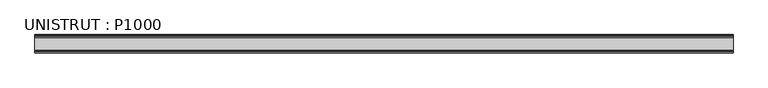
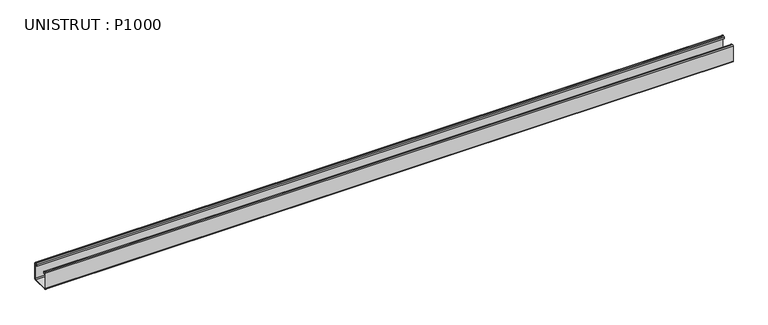
"""IFC4 building model written with IfcOpenShell, lengths in millimetres: beam geometry, UNISTRUT : P1000."""

from ifc_helpers import new_model, si_unit, point, frame, frame_2d, origin, place, context, project, spatial, polyline, circle_curve, trimmed, segment, composite_curve, outline, extrude, source, transform, mapped, element, save


def unistrut_p1000_2de219ca(model_context):
    return source(origin(), model_context, "Body", "SweptSolid", [
        extrude(outline(composite_curve([segment(polyline([(-20.6375, -17.4273239), (-20.6375, 18.6242894)]), True, "CONTINUOUS"), segment(trimmed(circle_curve(frame_2d((-18.6242894, 18.6242894)), 2.0132106), [point((-20.6375, 18.6242894))], [point((-18.6242894, 20.6375))], False, "CARTESIAN"), True, "CONTINUOUS"), segment(polyline([(-18.6242894, 20.6375), (-16.271875, 20.6375)]), True, "CONTINUOUS"), segment(trimmed(circle_curve(frame_2d((-16.271875, 18.653125)), 1.984375), [point((-16.271875, 20.6375))], [point((-14.2875, 18.653125))], False, "CARTESIAN"), True, "CONTINUOUS"), segment(polyline([(-14.2875, 18.653125), (-14.2875, 14.7193), (-15.1804687, 14.7193), (-15.1804687, 18.653125)]), True, "CONTINUOUS"), segment(trimmed(circle_curve(frame_2d((-16.271875, 18.653125)), 1.0914062), [point((-15.1804687, 18.653125))], [point((-16.271875, 19.7445312))], True, "CARTESIAN"), True, "CONTINUOUS"), segment(polyline([(-16.271875, 19.7445312), (-18.6242894, 19.7445312)]), True, "CONTINUOUS"), segment(trimmed(circle_curve(frame_2d((-18.6242894, 18.6242894)), 1.1202418), [point((-18.6242894, 19.7445312))], [point((-19.7445312, 18.6242894))], True, "CARTESIAN"), True, "CONTINUOUS"), segment(polyline([(-19.7445312, 18.6242894), (-19.7445312, -17.4273239)]), True, "CONTINUOUS"), segment(trimmed(circle_curve(frame_2d((-17.4273239, -17.4273239)), 2.3172074), [point((-19.7445312, -17.4273239))], [point((-17.4273239, -19.7445313))], True, "CARTESIAN"), True, "CONTINUOUS"), segment(polyline([(-17.4273239, -19.7445313), (17.4655346, -19.7445313)]), True, "CONTINUOUS"), segment(trimmed(circle_curve(frame_2d((17.4655346, -17.4655346)), 2.2789966), [point((17.4655346, -19.7445313))], [point((19.7445313, -17.4655346))], True, "CARTESIAN"), True, "CONTINUOUS"), segment(polyline([(19.7445313, -17.4655346), (19.7445313, 18.653125)]), True, "CONTINUOUS"), segment(trimmed(circle_curve(frame_2d((18.653125, 18.653125)), 1.0914063), [point((19.7445313, 18.653125))], [point((18.653125, 19.7445312))], True, "CARTESIAN"), True, "CONTINUOUS"), segment(polyline([(18.653125, 19.7445312), (16.2236081, 19.7445312)]), True, "CONTINUOUS"), segment(trimmed(circle_curve(frame_2d((16.2236081, 18.7013919)), 1.0431394), [point((16.2236081, 19.7445312))], [point((15.1804688, 18.7013919))], True, "CARTESIAN"), True, "CONTINUOUS"), segment(polyline([(15.1804688, 18.7013919), (15.1804688, 14.7193), (14.2875, 14.7193), (14.2875, 18.7013919)]), True, "CONTINUOUS"), segment(trimmed(circle_curve(frame_2d((16.2236081, 18.7013919)), 1.9361081), [point((14.2875, 18.7013919))], [point((16.2236081, 20.6375))], False, "CARTESIAN"), True, "CONTINUOUS"), segment(polyline([(16.2236081, 20.6375), (18.653125, 20.6375)]), True, "CONTINUOUS"), segment(trimmed(circle_curve(frame_2d((18.653125, 18.653125)), 1.984375), [point((18.653125, 20.6375))], [point((20.6375, 18.653125))], False, "CARTESIAN"), True, "CONTINUOUS"), segment(polyline([(20.6375, 18.653125), (20.6375, -17.4655346)]), True, "CONTINUOUS"), segment(trimmed(circle_curve(frame_2d((17.4655346, -17.4655346)), 3.1719654), [point((20.6375, -17.4655346))], [point((17.4655346, -20.6375))], False, "CARTESIAN"), True, "CONTINUOUS"), segment(polyline([(17.4655346, -20.6375), (-17.4273239, -20.6375)]), True, "CONTINUOUS"), segment(trimmed(circle_curve(frame_2d((-17.4273239, -17.4273239)), 3.2101761), [point((-17.4273239, -20.6375))], [point((-20.6375, -17.4273239))], False, "CARTESIAN"), True, "CONTINUOUS")], self_intersect=False)), frame((-779.1730765, 0.0, 0.0), z_axis=(1.0, 0.0, 0.0), x_axis=(0.0, 1.0, 0.0)), (0.0, 0.0, 1.0), 1558.3461529),
    ])


if __name__ == "__main__":
    model = new_model("IFC4")
    model_context = context("Model", 3, world=origin())
    ifc_project = project(units=[si_unit("LENGTHUNIT", "METRE", prefix="MILLI")], contexts=[model_context])
    site = spatial("IfcSite", under=ifc_project)
    building = spatial("IfcBuilding", under=site)
    placement = place(None, origin())
    unistrut_p1000_shape = unistrut_p1000_2de219ca(model_context)
    element("IfcBeam", 1, ObjectType="UNISTRUT : P1000", at=placement, inside=building, context=model_context, shape_type="MappedRepresentation", body=[
        mapped(unistrut_p1000_shape, transform((0.0, 0.0, 0.0), x_axis=(1.0, 0.0, 0.0), y_axis=(0.0, 1.0, 0.0), z_axis=(0.0, 0.0, 1.0))),
    ])
    save(model, "model.ifc")
